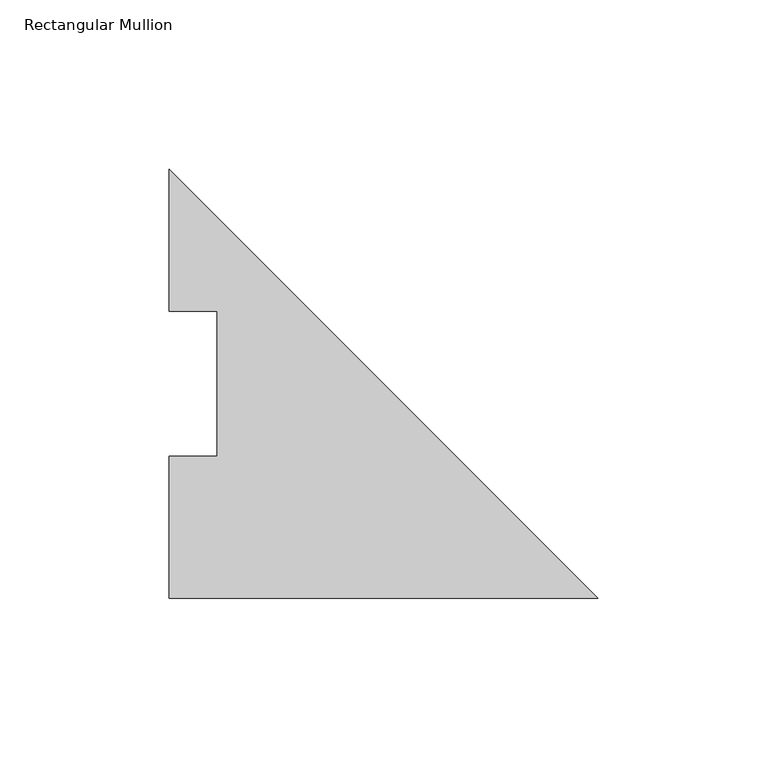
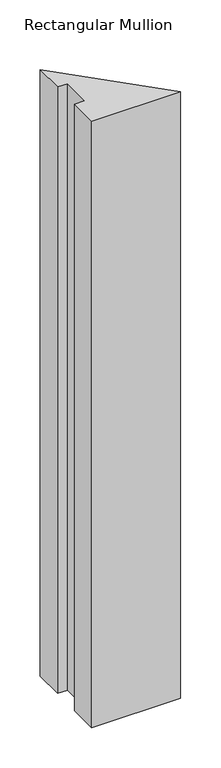
"""IFC4 building model written with IfcOpenShell, lengths in millimetres: member geometry, Rectangular Mullion."""

from ifc_helpers import new_model, si_unit, frame, origin, place, context, project, spatial, polyline, outline, extrude, source, transform, mapped, element, save


def rectangular_mullion_db301cc3(model_context):
    return source(origin(), model_context, "Body", "SweptSolid", [
        extrude(outline(polyline([(-127.0, 0.00635), (-127.0, 42.08145), (-112.7125, 42.08145), (-112.7125, 84.93125), (-127.0, 84.93125), (-127.0, 127.00635), (0.0, 0.00635), (-127.0, 0.00635)])), frame((0.0, 0.0, -914.4), z_axis=(0.0, 0.0, 1.0), x_axis=(1.0, 0.0, 0.0)), (0.0, 0.0, 1.0), 914.4),
    ])


if __name__ == "__main__":
    model = new_model("IFC4")
    model_context = context("Model", 3, world=origin())
    ifc_project = project(units=[si_unit("LENGTHUNIT", "METRE", prefix="MILLI")], contexts=[model_context])
    site = spatial("IfcSite", under=ifc_project)
    building = spatial("IfcBuilding", under=site)
    placement = place(None, origin())
    rectangular_mullion_shape = rectangular_mullion_db301cc3(model_context)
    element("IfcMember", 1, ObjectType="Rectangular Mullion", at=placement, inside=building, context=model_context, shape_type="MappedRepresentation", body=[
        mapped(rectangular_mullion_shape, transform((0.0, 0.0, 0.0), x_axis=(1.0, 0.0, 0.0), y_axis=(0.0, 1.0, 0.0), z_axis=(0.0, 0.0, 1.0))),
    ])
    save(model, "model.ifc")
